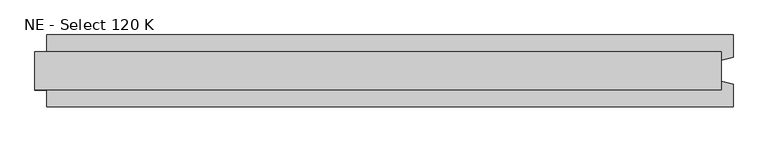
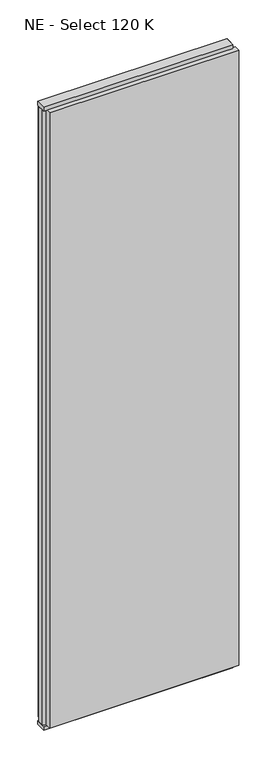
"""IFC4 building model written with IfcOpenShell, lengths in millimetres: plate geometry, NE - Select 120 K."""

from ifc_helpers import new_model, si_unit, frame, origin, origin_with_axes, place, context, project, spatial, polyline, outline, extrude, source, transform, mapped, element, save


def ne_select_120_k_154284a9(model_context):
    return source(origin(), model_context, "Body", "SweptSolid", [
        extrude(outline(polyline([(594.5833333, 60.0), (594.5833333, 22.9993165), (574.5833333, 17.6401049), (574.5833333, -17.6401049), (594.5833333, -22.9993165), (594.5833333, -60.0), (-554.5833333, -60.0), (-554.5833333, -22.9993165), (-574.5833333, -17.6401049), (-574.5833333, 17.6401049), (-554.5833333, 22.9993165), (-554.5833333, 60.0), (594.5833333, 60.0)])), frame((0.0, 0.0, 25.0), z_axis=(0.0, 0.0, 1.0), x_axis=(1.0, 0.0, 0.0)), (0.0, 0.0, 1.0), 3950.0),
        extrude(outline(polyline([(574.5833333, 32.0), (574.5833333, -32.0), (-574.5833333, -32.0), (-574.5833333, 32.0), (574.5833333, 32.0)])), origin_with_axes(), (0.0, 0.0, 1.0), 25.0),
        extrude(outline(polyline([(574.5833333, 32.0), (574.5833333, -32.0), (-574.5833333, -32.0), (-574.5833333, 32.0), (574.5833333, 32.0)])), frame((0.0, 0.0, 3975.0), z_axis=(0.0, 0.0, 1.0), x_axis=(1.0, 0.0, 0.0)), (0.0, 0.0, 1.0), 25.0),
    ])


if __name__ == "__main__":
    model = new_model("IFC4")
    model_context = context("Model", 3, world=origin())
    ifc_project = project(units=[si_unit("LENGTHUNIT", "METRE", prefix="MILLI")], contexts=[model_context])
    site = spatial("IfcSite", under=ifc_project)
    building = spatial("IfcBuilding", under=site)
    placement = place(None, origin())
    ne_select_120_k_shape = ne_select_120_k_154284a9(model_context)
    element("IfcPlate", 1, ObjectType="NE - Select 120 K", at=placement, inside=building, context=model_context, shape_type="MappedRepresentation", body=[
        mapped(ne_select_120_k_shape, transform((0.0, 0.0, 0.0), x_axis=(1.0, 0.0, 0.0), y_axis=(0.0, 1.0, 0.0), z_axis=(0.0, 0.0, 1.0))),
    ])
    save(model, "model.ifc")
